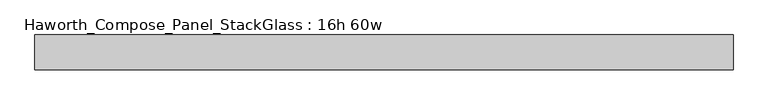
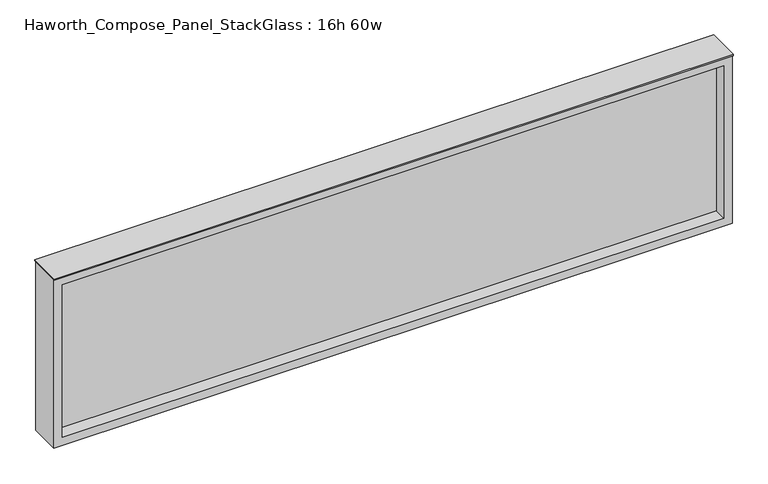
"""IFC4 building model written with IfcOpenShell, lengths in millimetres: furniture geometry, Haworth_Compose_Panel_StackGlass : 16h 60w."""

from ifc_helpers import new_model, si_unit, frame, origin, place, context, project, spatial, polyline, outline, extrude, source, transform, mapped, element, save


def haworth_compose_panel_stackglass_16h_60w_b175bc7b(model_context):
    return source(origin(), model_context, "Body", "SweptSolid", [
        extrude(outline(polyline([(745.3902902, -6.35), (-740.5097098, -6.35), (-740.5097098, 6.35), (745.3902902, 6.35), (745.3902902, -6.35)])), frame((0.0, 0.0, 1085.85), z_axis=(0.0, 0.0, 1.0), x_axis=(1.0, 0.0, 0.0)), (0.0, 0.0, 1.0), 361.95),
        extrude(outline(polyline([(1466.85, -759.5597098), (1066.8, -759.5597098), (1066.8, 764.4402902), (1466.85, 764.4402902), (1466.85, -759.5597098)]), holes=[polyline([(1447.8, 745.3902902), (1085.85, 745.3902902), (1085.85, -740.5097098), (1447.8, -740.5097098), (1447.8, 745.3902902)])]), frame((0.0, -34.925, 0.0), z_axis=(0.0, 1.0, 0.0), x_axis=(0.0, 0.0, 1.0)), (0.0, 0.0, 1.0), 69.85),
        extrude(outline(polyline([(-759.5597098, -38.1), (-759.5597098, 38.1), (764.4402902, 38.1), (764.4402902, -38.1), (-759.5597098, -38.1)])), frame((0.0, 0.0, 1466.85), z_axis=(0.0, 0.0, 1.0), x_axis=(1.0, 0.0, 0.0)), (0.0, 0.0, 1.0), 3.175),
    ])


if __name__ == "__main__":
    model = new_model("IFC4")
    model_context = context("Model", 3, world=origin())
    ifc_project = project(units=[si_unit("LENGTHUNIT", "METRE", prefix="MILLI")], contexts=[model_context])
    site = spatial("IfcSite", under=ifc_project)
    building = spatial("IfcBuilding", under=site)
    placement = place(None, origin())
    haworth_compose_panel_stackglass_16h_60w_shape = haworth_compose_panel_stackglass_16h_60w_b175bc7b(model_context)
    element("IfcFurniture", 1, ObjectType="Haworth_Compose_Panel_StackGlass : 16h 60w", at=placement, inside=building, context=model_context, shape_type="MappedRepresentation", body=[
        mapped(haworth_compose_panel_stackglass_16h_60w_shape, transform((0.0, 0.0, 0.0), x_axis=(1.0, 0.0, 0.0), y_axis=(0.0, 1.0, 0.0), z_axis=(0.0, 0.0, 1.0))),
    ])
    save(model, "model.ifc")
